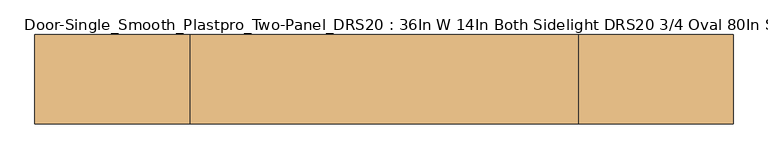
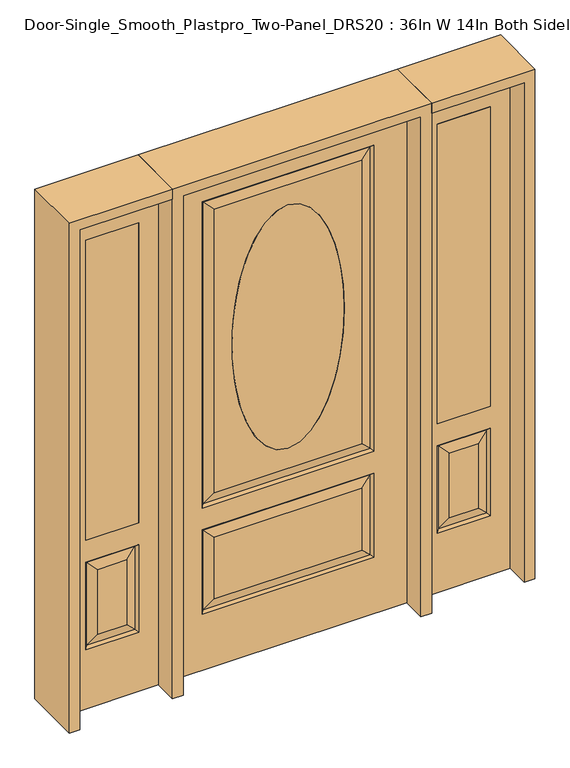
"""IFC4 building model written with IfcOpenShell, lengths in millimetres: door geometry, Door-Single_Smooth_Plastpro_Two-Panel_DRS20 : 36In W 14In Both Sidelight DRS20 3/4 Oval 80In Smooth."""

from ifc_helpers import new_model, si_unit, point, frame, origin, place, context, project, spatial, polyline, ellipse_curve, trimmed, outline, extrude, faceted_brep, source, transform, mapped, element, save
from ifc_brep_helpers import plane_surface, extruded_surface, advanced_brep


def door_single_smooth_plastpro_two_panel_drs20_36in_w_14in_both_2a90c273(model_context):
    return source(origin(), model_context, "Body", "SolidModel", [
        extrude(outline(polyline([(574.675, -20.6375), (574.675, 20.6375), (777.875, 20.6375), (777.875, -20.6375), (574.675, -20.6375)])), frame((0.0, 0.0, 685.8), z_axis=(0.0, 0.0, 1.0), x_axis=(1.0, 0.0, 0.0)), (0.0, 0.0, 1.0), 1219.2),
        faceted_brep([(854.075, -20.6375, 0.0), (854.075, -20.6375, 2032.0), (498.475, -20.6375, 2032.0), (498.475, -20.6375, 0.0), (574.675, -20.6375, 685.8), (574.675, -20.6375, 1905.0), (777.875, -20.6375, 1905.0), (777.875, -20.6375, 685.8), (574.675, -20.6375, 241.3), (574.675, -20.6375, 596.9), (777.875, -20.6375, 596.9), (777.875, -20.6375, 241.3), (731.8375, -20.6375, 287.3375), (731.8375, -20.6375, 550.8625), (620.7125, -20.6375, 550.8625), (620.7125, -20.6375, 287.3375), (498.475, 20.6375, 0.0), (854.075, 20.6375, 0.0), (498.475, 20.6375, 2032.0), (854.075, 20.6375, 2032.0), (583.6552561, -11.6572439, 250.2802561), (768.8947439, -11.6572439, 250.2802561), (768.8947439, -11.6572439, 587.9197439), (583.6552561, -11.6572439, 587.9197439), (777.875, 20.6375, 685.8), (574.675, 20.6375, 685.8), (777.875, 20.6375, 1905.0), (574.675, 20.6375, 1905.0), (777.875, 20.6375, 241.3), (777.875, 20.6375, 596.9), (574.675, 20.6375, 596.9), (574.675, 20.6375, 241.3), (620.7125, 20.6375, 287.3375), (620.7125, 20.6375, 550.8625), (731.8375, 20.6375, 550.8625), (731.8375, 20.6375, 287.3375), (583.6552561, 11.6572439, 250.2802561), (768.8947439, 11.6572439, 250.2802561), (583.6552561, 11.6572439, 587.9197439), (768.8947439, 11.6572439, 587.9197439)], [[[0, 1, 2, 3], [4, 5, 6, 7], [8, 9, 10, 11]], [[12, 13, 14, 15]], [[3, 16, 17, 0]], [[2, 18, 16, 3]], [[0, 17, 19, 1]], [[20, 8, 11, 21]], [[11, 10, 22, 21]], [[10, 9, 23, 22]], [[20, 23, 9, 8]], [[21, 12, 15, 20]], [[15, 14, 23, 20]], [[22, 23, 14, 13]], [[21, 22, 13, 12]], [[4, 7, 24, 25]], [[7, 6, 26, 24]], [[25, 27, 5, 4]], [[17, 16, 18, 19], [24, 26, 27, 25], [28, 29, 30, 31]], [[32, 33, 34, 35]], [[28, 31, 36, 37]], [[31, 30, 38, 36]], [[39, 38, 30, 29]], [[37, 39, 29, 28]], [[36, 32, 35, 37]], [[35, 34, 39, 37]], [[34, 33, 38, 39]], [[36, 38, 33, 32]], [[1, 19, 18, 2]], [[27, 26, 6, 5]]]),
        extrude(outline(polyline([(-574.675, -20.6375), (-777.875, -20.6375), (-777.875, 20.6375), (-574.675, 20.6375), (-574.675, -20.6375)])), frame((0.0, 0.0, 685.8), z_axis=(0.0, 0.0, 1.0), x_axis=(1.0, 0.0, 0.0)), (0.0, 0.0, 1.0), 1219.2),
        faceted_brep([(-854.075, -20.6375, 0.0), (-498.475, -20.6375, 0.0), (-498.475, -20.6375, 2032.0), (-854.075, -20.6375, 2032.0), (-574.675, -20.6375, 685.8), (-777.875, -20.6375, 685.8), (-777.875, -20.6375, 1905.0), (-574.675, -20.6375, 1905.0), (-574.675, -20.6375, 241.3), (-777.875, -20.6375, 241.3), (-777.875, -20.6375, 596.9), (-574.675, -20.6375, 596.9), (-731.8375, -20.6375, 287.3375), (-620.7125, -20.6375, 287.3375), (-620.7125, -20.6375, 550.8625), (-731.8375, -20.6375, 550.8625), (-854.075, 20.6375, 0.0), (-498.475, 20.6375, 0.0), (-498.475, 20.6375, 2032.0), (-854.075, 20.6375, 2032.0), (-583.6552561, -11.6572439, 250.2802561), (-768.8947439, -11.6572439, 250.2802561), (-768.8947439, -11.6572439, 587.9197439), (-583.6552561, -11.6572439, 587.9197439), (-574.675, 20.6375, 685.8), (-777.875, 20.6375, 685.8), (-777.875, 20.6375, 1905.0), (-574.675, 20.6375, 1905.0), (-777.875, 20.6375, 241.3), (-574.675, 20.6375, 241.3), (-574.675, 20.6375, 596.9), (-777.875, 20.6375, 596.9), (-620.7125, 20.6375, 287.3375), (-731.8375, 20.6375, 287.3375), (-731.8375, 20.6375, 550.8625), (-620.7125, 20.6375, 550.8625), (-768.8947439, 11.6572439, 250.2802561), (-583.6552561, 11.6572439, 250.2802561), (-583.6552561, 11.6572439, 587.9197439), (-768.8947439, 11.6572439, 587.9197439)], [[[0, 1, 2, 3], [4, 5, 6, 7], [8, 9, 10, 11]], [[12, 13, 14, 15]], [[1, 0, 16, 17]], [[2, 1, 17, 18]], [[0, 3, 19, 16]], [[20, 21, 9, 8]], [[9, 21, 22, 10]], [[10, 22, 23, 11]], [[20, 8, 11, 23]], [[21, 20, 13, 12]], [[13, 20, 23, 14]], [[22, 15, 14, 23]], [[21, 12, 15, 22]], [[4, 24, 25, 5]], [[5, 25, 26, 6]], [[24, 4, 7, 27]], [[16, 19, 18, 17], [25, 24, 27, 26], [28, 29, 30, 31]], [[32, 33, 34, 35]], [[28, 36, 37, 29]], [[29, 37, 38, 30]], [[39, 31, 30, 38]], [[36, 28, 31, 39]], [[37, 36, 33, 32]], [[33, 36, 39, 34]], [[34, 39, 38, 35]], [[37, 32, 35, 38]], [[3, 2, 18, 19]], [[27, 7, 6, 26]]]),
        advanced_brep(
        [(0.0, -20.6375, 1778.0), (0.0, -20.6375, 787.4), (0.0, 20.6375, 1778.0), (0.0, 20.6375, 787.4)],
        [
            (0, 1, ellipse_curve(frame((0.0, -20.6375, 1282.7), z_axis=(0.0, -1.0, 0.0), x_axis=(0.0, 0.0, -1.0)), 495.3, 215.9)),
            (1, 0, ellipse_curve(frame((0.0, -20.6375, 1282.7), z_axis=(0.0, -1.0, 0.0), x_axis=(0.0, 0.0, -1.0)), 495.3, 215.9)),
            (0, 2),
            (2, 3, ellipse_curve(frame((0.0, 20.6375, 1282.7), z_axis=(0.0, -1.0, 0.0), x_axis=(0.0, 0.0, -1.0)), 495.3, 215.9)),
            (3, 1),
            (3, 2, ellipse_curve(frame((0.0, 20.6375, 1282.7), z_axis=(0.0, -1.0, 0.0), x_axis=(0.0, 0.0, -1.0)), 495.3, 215.9)),
        ],
        [
            plane_surface(frame((0.0, -20.6375, 787.4), z_axis=(0.0, -1.0, 0.0), x_axis=(1.0, 0.0, 0.0))),
            extruded_surface(trimmed(ellipse_curve(frame((0.0, 61.9125, 1282.7), z_axis=(0.0, -1.0, 0.0), x_axis=(0.0, 0.0, -1.0)), 495.3, 215.9), [point((0.0, 61.9125, 1778.0))], [point((0.0, 61.9125, 787.4))], True, "CARTESIAN"), (0.0, -41.275000000000006, 0.0), 41.275000000000006),
            extruded_surface(trimmed(ellipse_curve(frame((0.0, 61.9125, 1282.7), z_axis=(0.0, -1.0, 0.0), x_axis=(0.0, 0.0, -1.0)), 495.3, 215.9), [point((0.0, 61.9125, 787.4))], [point((0.0, 61.9125, 1778.0))], True, "CARTESIAN"), (0.0, -41.275000000000006, 0.0), 41.275000000000006),
            plane_surface(frame((0.0, 20.6375, 787.4), z_axis=(0.0, 1.0, 0.0), x_axis=(-1.0, 0.0, 0.0))),
        ],
        [
            (0, [[1, 2]]),
            (1, [[-1, 3, 4, 5]]),
            (2, [[-2, -5, 6, -3]]),
            (3, [[-6, -4]]),
        ],
    ),
        advanced_brep(
        [(457.2, 20.6375, 0.0), (457.2, -20.6375, 0.0), (-457.2, -20.6375, 0.0), (-457.2, 20.6375, 0.0), (457.2, 20.6375, 2032.0), (457.2, -20.6375, 2032.0), (-284.1625, -20.6375, 706.4375), (284.1625, -20.6375, 706.4375), (284.1625, -20.6375, 1858.9625), (-284.1625, -20.6375, 1858.9625), (0.0, -20.6375, 787.4), (0.0, -20.6375, 1778.0), (-284.1625, -20.6375, 274.6375), (284.1625, -20.6375, 274.6375), (284.1625, -20.6375, 525.4625), (-284.1625, -20.6375, 525.4625), (-457.2, -20.6375, 2032.0), (330.2, -20.6375, 660.4), (-330.2, -20.6375, 660.4), (-330.2, -20.6375, 1905.0), (330.2, -20.6375, 1905.0), (330.2, -20.6375, 228.6), (-330.2, -20.6375, 228.6), (-330.2, -20.6375, 571.5), (330.2, -20.6375, 571.5), (-457.2, 20.6375, 2032.0), (-284.1625, 20.6375, 525.4625), (284.1625, 20.6375, 525.4625), (284.1625, 20.6375, 274.6375), (-284.1625, 20.6375, 274.6375), (-284.1625, 20.6375, 1858.9625), (284.1625, 20.6375, 1858.9625), (284.1625, 20.6375, 706.4375), (-284.1625, 20.6375, 706.4375), (0.0, 20.6375, 1778.0), (0.0, 20.6375, 787.4), (330.2, 20.6375, 571.5), (-330.2, 20.6375, 571.5), (-330.2, 20.6375, 228.6), (330.2, 20.6375, 228.6), (330.2, 20.6375, 1905.0), (-330.2, 20.6375, 1905.0), (-330.2, 20.6375, 660.4), (330.2, 20.6375, 660.4), (-321.2197439, 11.6572439, 1896.0197439), (-321.2197439, 11.6572439, 669.3802561), (321.2197439, 11.6572439, 669.3802561), (321.2197439, 11.6572439, 1896.0197439), (321.2197439, 11.6572439, 562.5197439), (-321.2197439, 11.6572439, 562.5197439), (-321.2197439, 11.6572439, 237.5802561), (321.2197439, 11.6572439, 237.5802561), (321.2197439, -11.6572439, 669.3802561), (-321.2197439, -11.6572439, 669.3802561), (-321.2197439, -11.6572439, 1896.0197439), (321.2197439, -11.6572439, 1896.0197439), (321.2197439, -11.6572439, 237.5802561), (-321.2197439, -11.6572439, 237.5802561), (-321.2197439, -11.6572439, 562.5197439), (321.2197439, -11.6572439, 562.5197439)],
        [
            (0, 1),
            (1, 2),
            (2, 3),
            (3, 0),
            (4, 5),
            (5, 1),
            (0, 4),
            (6, 7),
            (7, 8),
            (8, 9),
            (9, 6),
            (10, 11, ellipse_curve(frame((0.0, -20.6375, 1282.7), z_axis=(0.0, 1.0, 0.0), x_axis=(0.0, 0.0, -1.0)), 495.3, 215.9)),
            (11, 10, ellipse_curve(frame((0.0, -20.6375, 1282.7), z_axis=(0.0, 1.0, 0.0), x_axis=(0.0, 0.0, -1.0)), 495.3, 215.9)),
            (12, 13),
            (13, 14),
            (14, 15),
            (15, 12),
            (5, 16),
            (16, 2),
            (17, 18),
            (18, 19),
            (19, 20),
            (20, 17),
            (21, 22),
            (22, 23),
            (23, 24),
            (24, 21),
            (16, 25),
            (25, 3),
            (26, 27),
            (27, 28),
            (28, 29),
            (29, 26),
            (30, 31),
            (31, 32),
            (32, 33),
            (33, 30),
            (34, 35, ellipse_curve(frame((0.0, 20.6375, 1282.7), z_axis=(0.0, -1.0, 0.0), x_axis=(0.0, 0.0, -1.0)), 495.3, 215.9)),
            (35, 34, ellipse_curve(frame((0.0, 20.6375, 1282.7), z_axis=(0.0, -1.0, 0.0), x_axis=(0.0, 0.0, -1.0)), 495.3, 215.9)),
            (25, 4),
            (36, 37),
            (37, 38),
            (38, 39),
            (39, 36),
            (40, 41),
            (41, 42),
            (42, 43),
            (43, 40),
            (41, 44),
            (44, 45),
            (45, 42),
            (45, 46),
            (46, 43),
            (47, 40),
            (46, 47),
            (31, 47),
            (46, 32),
            (45, 33),
            (44, 30),
            (48, 49),
            (49, 37),
            (36, 48),
            (49, 50),
            (50, 38),
            (50, 51),
            (51, 39),
            (51, 48),
            (48, 27),
            (26, 49),
            (51, 28),
            (50, 29),
            (10, 35),
            (34, 11),
            (52, 53),
            (53, 18),
            (17, 52),
            (53, 54),
            (54, 19),
            (20, 55),
            (55, 52),
            (52, 7),
            (6, 53),
            (55, 8),
            (9, 54),
            (56, 57),
            (57, 22),
            (21, 56),
            (57, 58),
            (58, 23),
            (58, 59),
            (59, 24),
            (59, 56),
            (56, 13),
            (12, 57),
            (59, 14),
            (58, 15),
            (54, 55),
            (47, 44),
        ],
        [
            plane_surface(frame((-457.2, 20.6375, 0.0), z_axis=(0.0, 0.0, -1.0), x_axis=(1.0, 0.0, 0.0))),
            plane_surface(frame((457.2, -20.6375, 2032.0), z_axis=(1.0, 0.0, 0.0), x_axis=(0.0, 0.0, -1.0))),
            plane_surface(frame((-457.2, -20.6375, 2032.0), z_axis=(0.0, -1.0, 0.0), x_axis=(0.0, 0.0, -1.0))),
            plane_surface(frame((-457.2, 20.6375, 2032.0), z_axis=(-1.0, 0.0, 0.0), x_axis=(0.0, 0.0, -1.0))),
            plane_surface(frame((457.2, 20.6375, 2032.0), z_axis=(0.0, 1.0, 0.0), x_axis=(0.0, 0.0, -1.0))),
            plane_surface(frame((-330.2, 20.6375, 1905.0), z_axis=(0.7071067811865436, 0.7071067811865516, 0.0), x_axis=(0.0, 0.0, -1.0))),
            plane_surface(frame((-330.2, 20.6375, 660.4), z_axis=(0.0, 0.7071067811865516, 0.7071067811865436), x_axis=(1.0, 0.0, 0.0))),
            plane_surface(frame((330.2, 20.6375, 660.4), z_axis=(-0.7071067811865436, 0.7071067811865516, 0.0), x_axis=(0.0, 0.0, 1.0))),
            plane_surface(frame((321.2197439, 11.6572439, 669.3802561), z_axis=(0.2355178326930706, 0.9718700275672457, 0.0), x_axis=(0.0, 0.0, 1.0))),
            plane_surface(frame((-321.2197439, 11.6572439, 669.3802561), z_axis=(0.0, 0.9718700275672457, -0.2355178326930706), x_axis=(1.0, 0.0, 0.0))),
            plane_surface(frame((-321.2197439, 11.6572439, 1896.0197439), z_axis=(-0.2355178326930706, 0.9718700275672457, 0.0), x_axis=(0.0, 0.0, -1.0))),
            plane_surface(frame((330.2, 20.6375, 571.5), z_axis=(0.0, 0.7071067811865542, -0.7071067811865409), x_axis=(-1.0, 0.0, 0.0))),
            plane_surface(frame((-330.2, 20.6375, 571.5), z_axis=(0.7071067811865409, 0.7071067811865542, 0.0), x_axis=(0.0, 0.0, -1.0))),
            plane_surface(frame((-330.2, 20.6375, 228.6), z_axis=(0.0, 0.7071067811865542, 0.7071067811865409), x_axis=(1.0, 0.0, 0.0))),
            plane_surface(frame((330.2, 20.6375, 228.6), z_axis=(-0.7071067811865409, 0.7071067811865542, 0.0), x_axis=(0.0, 0.0, 1.0))),
            plane_surface(frame((321.2197439, 11.6572439, 562.5197439), z_axis=(0.0, 0.9718700275672457, 0.2355178326930706), x_axis=(-1.0, 0.0, 0.0))),
            plane_surface(frame((321.2197439, 11.6572439, 237.5802561), z_axis=(0.2355178326930706, 0.9718700275672457, 0.0), x_axis=(0.0, 0.0, 1.0))),
            plane_surface(frame((-321.2197439, 11.6572439, 237.5802561), z_axis=(0.0, 0.9718700275672457, -0.2355178326930706), x_axis=(1.0, 0.0, 0.0))),
            plane_surface(frame((-321.2197439, 11.6572439, 562.5197439), z_axis=(-0.2355178326930706, 0.9718700275672457, 0.0), x_axis=(0.0, 0.0, -1.0))),
            extruded_surface(trimmed(ellipse_curve(frame((0.0, 20.6375, 1282.7), z_axis=(0.0, -1.0, 0.0), x_axis=(0.0, 0.0, -1.0)), 495.3, 215.9), [point((0.0, 20.6375, 1778.0))], [point((0.0, 20.6375, 787.4))], True, "CARTESIAN"), (0.0, 41.275000000000006, 0.0), 41.275000000000006),
            extruded_surface(trimmed(ellipse_curve(frame((0.0, 20.6375, 1282.7), z_axis=(0.0, -1.0, 0.0), x_axis=(0.0, 0.0, -1.0)), 495.3, 215.9), [point((0.0, 20.6375, 787.4))], [point((0.0, 20.6375, 1778.0))], True, "CARTESIAN"), (0.0, 41.275000000000006, 0.0), 41.275000000000006),
            plane_surface(frame((330.2, -20.6375, 660.4), z_axis=(0.0, -0.7071067811865466, 0.7071067811865486), x_axis=(-1.0, 0.0, 0.0))),
            plane_surface(frame((-330.2, -20.6375, 660.4), z_axis=(0.7071067811865486, -0.7071067811865466, 0.0), x_axis=(0.0, 0.0, 1.0))),
            plane_surface(frame((330.2, -20.6375, 1905.0), z_axis=(-0.7071067811865486, -0.7071067811865466, 0.0), x_axis=(0.0, 0.0, -1.0))),
            plane_surface(frame((321.2197439, -11.6572439, 669.3802561), z_axis=(0.0, -0.9718700275672454, -0.23551783269307167), x_axis=(-1.0, 0.0, 0.0))),
            plane_surface(frame((321.2197439, -11.6572439, 1896.0197439), z_axis=(0.23551783269307167, -0.9718700275672454, 0.0), x_axis=(0.0, 0.0, -1.0))),
            plane_surface(frame((-321.2197439, -11.6572439, 669.3802561), z_axis=(-0.23551783269307167, -0.9718700275672454, 0.0), x_axis=(0.0, 0.0, 1.0))),
            plane_surface(frame((330.2, -20.6375, 228.6), z_axis=(0.0, -0.7071067811865489, 0.7071067811865462), x_axis=(-1.0, 0.0, 0.0))),
            plane_surface(frame((-330.2, -20.6375, 228.6), z_axis=(0.7071067811865462, -0.7071067811865489, 0.0), x_axis=(0.0, 0.0, 1.0))),
            plane_surface(frame((-330.2, -20.6375, 571.5), z_axis=(0.0, -0.7071067811865489, -0.7071067811865462), x_axis=(1.0, 0.0, 0.0))),
            plane_surface(frame((330.2, -20.6375, 571.5), z_axis=(-0.7071067811865462, -0.7071067811865489, 0.0), x_axis=(0.0, 0.0, -1.0))),
            plane_surface(frame((321.2197439, -11.6572439, 237.5802561), z_axis=(0.0, -0.9718700275672454, -0.2355178326930719), x_axis=(-1.0, 0.0, 0.0))),
            plane_surface(frame((321.2197439, -11.6572439, 562.5197439), z_axis=(0.2355178326930719, -0.9718700275672454, 0.0), x_axis=(0.0, 0.0, -1.0))),
            plane_surface(frame((-321.2197439, -11.6572439, 562.5197439), z_axis=(0.0, -0.9718700275672454, 0.2355178326930719), x_axis=(1.0, 0.0, 0.0))),
            plane_surface(frame((-321.2197439, -11.6572439, 237.5802561), z_axis=(-0.2355178326930719, -0.9718700275672454, 0.0), x_axis=(0.0, 0.0, 1.0))),
            plane_surface(frame((-457.2, 20.6375, 2032.0), z_axis=(0.0, 0.0, 1.0), x_axis=(-1.0, 0.0, 0.0))),
            plane_surface(frame((-330.2, -20.6375, 1905.0), z_axis=(0.0, -0.7071067811865466, -0.7071067811865486), x_axis=(1.0, 0.0, 0.0))),
            plane_surface(frame((-321.2197439, -11.6572439, 1896.0197439), z_axis=(0.0, -0.9718700275672454, 0.23551783269307167), x_axis=(1.0, 0.0, 0.0))),
            plane_surface(frame((330.2, 20.6375, 1905.0), z_axis=(0.0, 0.7071067811865516, -0.7071067811865436), x_axis=(-1.0, 0.0, 0.0))),
            plane_surface(frame((321.2197439, 11.6572439, 1896.0197439), z_axis=(0.0, 0.9718700275672457, 0.2355178326930706), x_axis=(-1.0, 0.0, 0.0))),
        ],
        [
            (0, [[1, 2, 3, 4]]),
            (1, [[5, 6, -1, 7]]),
            (2, [[8, 9, 10, 11], [12, 13]]),
            (2, [[14, 15, 16, 17]]),
            (2, [[18, 19, -2, -6], [20, 21, 22, 23], [24, 25, 26, 27]]),
            (3, [[28, 29, -3, -19]]),
            (4, [[30, 31, 32, 33]]),
            (4, [[34, 35, 36, 37], [38, 39]]),
            (4, [[40, -7, -4, -29], [41, 42, 43, 44], [45, 46, 47, 48]]),
            (5, [[49, 50, 51, -46]]),
            (6, [[-51, 52, 53, -47]]),
            (7, [[54, -48, -53, 55]]),
            (8, [[56, -55, 57, -35]]),
            (9, [[58, -36, -57, -52]]),
            (10, [[59, -37, -58, -50]]),
            (11, [[60, 61, -41, 62]]),
            (12, [[-61, 63, 64, -42]]),
            (13, [[-64, 65, 66, -43]]),
            (14, [[-62, -44, -66, 67]]),
            (15, [[-60, 68, -30, 69]]),
            (16, [[-68, -67, 70, -31]]),
            (17, [[71, -32, -70, -65]]),
            (18, [[-69, -33, -71, -63]]),
            (19, [[72, -38, 73, -12]]),
            (20, [[-72, -13, -73, -39]]),
            (21, [[74, 75, -20, 76]]),
            (22, [[-75, 77, 78, -21]]),
            (23, [[-76, -23, 79, 80]]),
            (24, [[-74, 81, -8, 82]]),
            (25, [[-81, -80, 83, -9]]),
            (26, [[-82, -11, 84, -77]]),
            (27, [[85, 86, -24, 87]]),
            (28, [[-86, 88, 89, -25]]),
            (29, [[-89, 90, 91, -26]]),
            (30, [[-87, -27, -91, 92]]),
            (31, [[-85, 93, -14, 94]]),
            (32, [[-93, -92, 95, -15]]),
            (33, [[96, -16, -95, -90]]),
            (34, [[-94, -17, -96, -88]]),
            (35, [[-40, -28, -18, -5]]),
            (36, [[-78, 97, -79, -22]]),
            (37, [[-84, -10, -83, -97]]),
            (38, [[98, -49, -45, -54]]),
            (39, [[-98, -56, -34, -59]]),
        ],
    ),
        extrude(outline(polyline([(2032.0, -498.475), (2073.275, -498.475), (2073.275, -895.35), (0.0, -895.35), (0.0, -854.075), (2032.0, -854.075), (2032.0, -498.475)])), frame((0.0, -114.3, 0.0), z_axis=(0.0, 1.0, 0.0), x_axis=(0.0, 0.0, 1.0)), (0.0, 0.0, 1.0), 228.6),
        extrude(outline(polyline([(2073.275, -498.475), (0.0, -498.475), (0.0, -457.2), (2032.0, -457.2), (2032.0, 457.2), (0.0, 457.2), (0.0, 498.475), (2073.275, 498.475), (2073.275, -498.475)])), frame((0.0, -114.3, 0.0), z_axis=(0.0, 1.0, 0.0), x_axis=(0.0, 0.0, 1.0)), (0.0, 0.0, 1.0), 228.6),
        extrude(outline(polyline([(0.0, 854.075), (0.0, 895.35), (2073.275, 895.35), (2073.275, 498.475), (2032.0, 498.475), (2032.0, 854.075), (0.0, 854.075)])), frame((0.0, -114.3, 0.0), z_axis=(0.0, 1.0, 0.0), x_axis=(0.0, 0.0, 1.0)), (0.0, 0.0, 1.0), 228.6),
    ])


if __name__ == "__main__":
    model = new_model("IFC4")
    model_context = context("Model", 3, world=origin())
    ifc_project = project(units=[si_unit("LENGTHUNIT", "METRE", prefix="MILLI")], contexts=[model_context])
    site = spatial("IfcSite", under=ifc_project)
    building = spatial("IfcBuilding", under=site)
    placement = place(None, origin())
    door_single_smooth_plastpro_two_panel_drs20_36in_w_14in_both_shape = door_single_smooth_plastpro_two_panel_drs20_36in_w_14in_both_2a90c273(model_context)
    element("IfcDoor", 1, ObjectType="Door-Single_Smooth_Plastpro_Two-Panel_DRS20 : 36In W 14In Both Sidelight DRS20 3/4 Oval 80In Smooth", at=placement, inside=building, context=model_context, shape_type="MappedRepresentation", body=[
        mapped(door_single_smooth_plastpro_two_panel_drs20_36in_w_14in_both_shape, transform((0.0, 0.0, 0.0), x_axis=(1.0, 0.0, 0.0), y_axis=(0.0, 1.0, 0.0), z_axis=(0.0, 0.0, 1.0))),
    ])
    save(model, "model.ifc")
